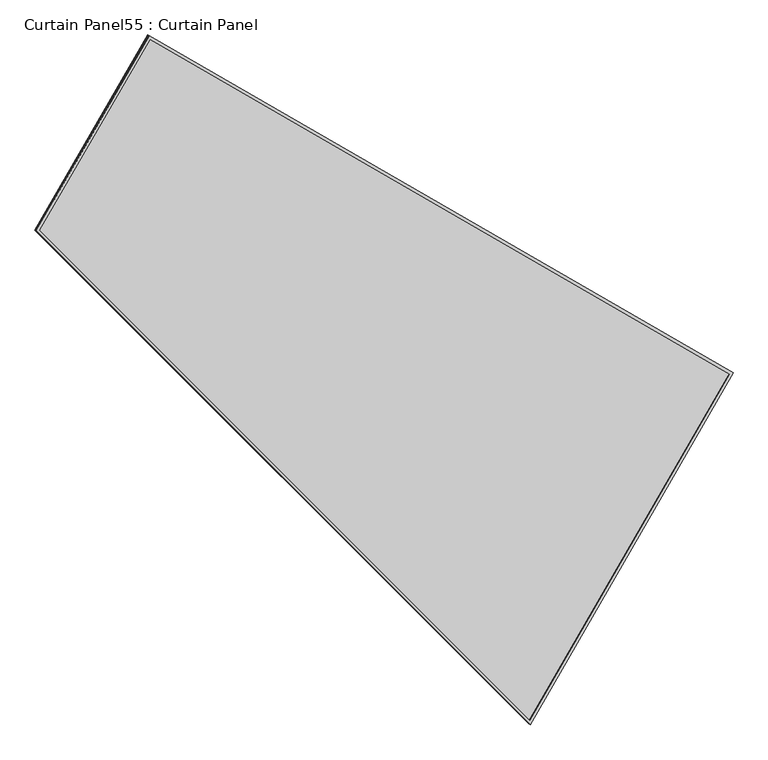
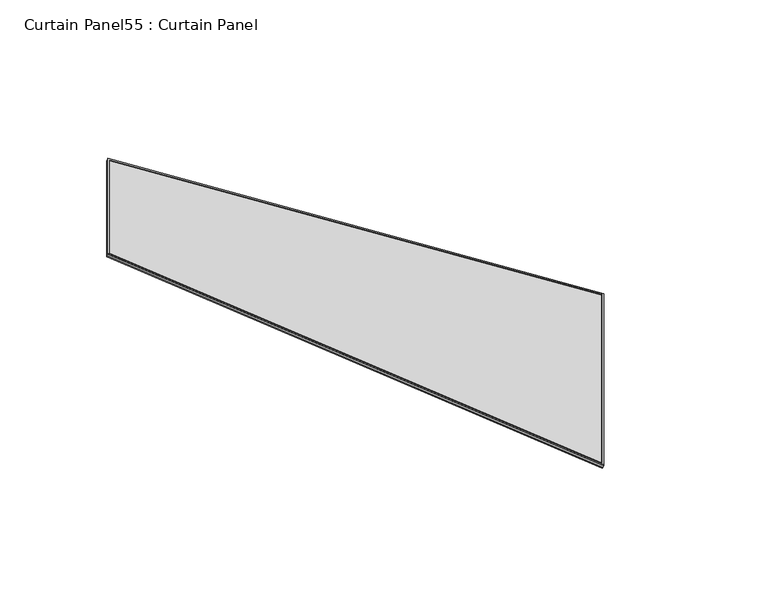
"""IFC4 building model written with IfcOpenShell, lengths in millimetres: plate geometry, Curtain Panel55 : Curtain Panel."""

from ifc_helpers import new_model, si_unit, frame, origin, place, context, project, spatial, polyline, outline, extrude, source, transform, mapped, element, save


def curtain_panel55_curtain_panel_8f5addf1(model_context):
    return source(origin(), model_context, "Body", "SweptSolid", [
        extrude(outline(polyline([(901.2911314, -2842.288964), (0.0, -2842.288964), (0.0, 0.0), (1623.8187256, 0.0), (901.2911314, -2842.288964)]), holes=[polyline([(1609.5279296, -11.1125), (11.1125, -11.1125), (11.1125, -2831.176464), (892.6500691, -2831.1764641), (1609.5279296, -11.1125)])]), frame((19973.1666344, -4109.26152, -9.160923), z_axis=(0.273790314861669, -0.15807291198689985, 0.9487106081329175), x_axis=(-0.5000000000000072, -0.8660254037844346, 0.0)), (0.0, 0.0, 1.0), 4.8465641),
        extrude(outline(polyline([(901.2911313, -2842.2889641), (0.0, -2842.288964), (0.0, 0.0), (1623.8187255, -1e-07), (901.2911313, -2842.2889641)]), holes=[polyline([(1609.5279296, -11.1125), (11.1124999, -11.1125), (11.1125, -2831.176464), (892.650069, -2831.1764641), (1609.5279296, -11.1125)])]), frame((19968.3418332, -4106.4759198, -25.8793379), z_axis=(0.27379031486167477, -0.15807291198690268, 0.9487106081329154), x_axis=(-0.5000000000000062, -0.8660254037844352, 0.0)), (0.0, 0.0, 1.0), 4.7659589),
        extrude(outline(polyline([(-576.7316341, 0.0), (1047.0870914, 0.0), (324.5594971, -2842.288964), (-576.7316342, -2842.288964), (-576.7316341, 0.0)])), frame((19681.2808895, -4606.6935351, -21.3578221), z_axis=(0.2737903148616768, -0.15807291198690482, 0.9487106081329144), x_axis=(-0.5000000000000064, -0.8660254037844349, 0.0)), (0.0, 0.0, 1.0), 12.8562905),
    ])


if __name__ == "__main__":
    model = new_model("IFC4")
    model_context = context("Model", 3, world=origin())
    ifc_project = project(units=[si_unit("LENGTHUNIT", "METRE", prefix="MILLI")], contexts=[model_context])
    site = spatial("IfcSite", under=ifc_project)
    building = spatial("IfcBuilding", under=site)
    placement = place(None, origin())
    curtain_panel55_curtain_panel_shape = curtain_panel55_curtain_panel_8f5addf1(model_context)
    element("IfcPlate", 1, ObjectType="Curtain Panel55 : Curtain Panel", at=placement, inside=building, context=model_context, shape_type="MappedRepresentation", body=[
        mapped(curtain_panel55_curtain_panel_shape, transform((0.0, 0.0, 0.0), x_axis=(1.0, 0.0, 0.0), y_axis=(0.0, 1.0, 0.0), z_axis=(0.0, 0.0, 1.0))),
    ])
    save(model, "model.ifc")
